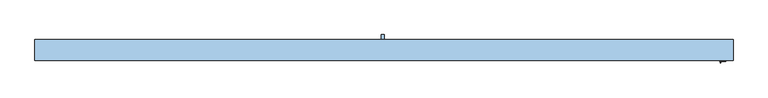
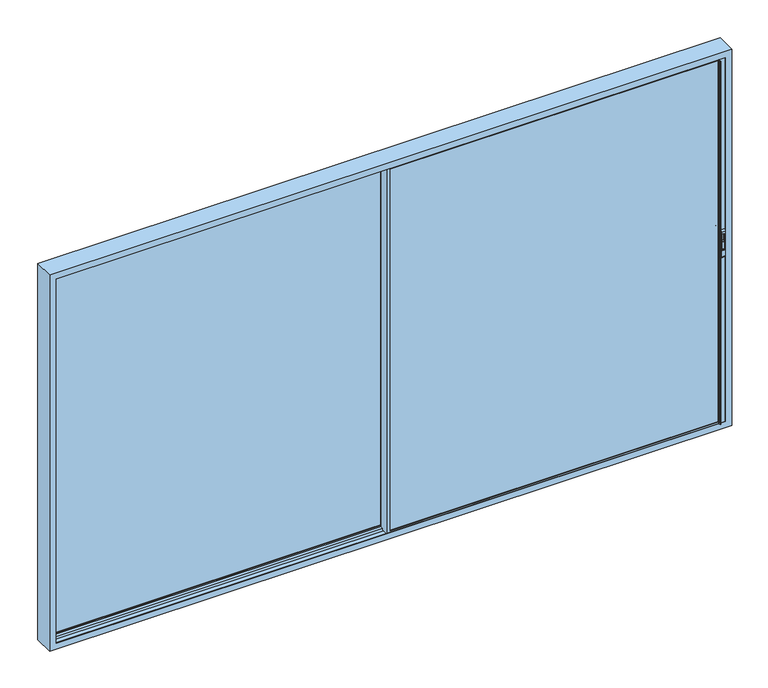
"""IFC4 building model written with IfcOpenShell, lengths in millimetres: window geometry."""

from ifc_helpers import new_model, si_unit, point, frame, frame_2d, origin, place, context, project, spatial, polyline, circle_curve, trimmed, segment, composite_curve, outline, extrude, faceted_brep, source, transform, mapped, element, save
from ifc_brep_helpers import plane_surface, cylinder_surface, revolved_surface, advanced_brep


def window_c933e9ea(model_context):
    return source(origin(), model_context, "Body", "SolidModel", [
        extrude(outline(composite_curve([segment(polyline([(-62.5, 2475.2189223), (-68.2814782, 2475.2189223), (-73.0629564, 2550.2189223)]), True, "CONTINUOUS"), segment(trimmed(circle_curve(frame_2d((-73.0629564, 2539.6559659)), 10.5629564), [point((-73.0629564, 2550.2189223))], [point((-62.5, 2539.6559659))], False, "CARTESIAN"), True, "CONTINUOUS"), segment(polyline([(-62.5, 2539.6559659), (-62.5, 2475.2189223)]), True, "CONTINUOUS")], self_intersect=False)), frame((2913.6874936, 0.0, 0.0), z_axis=(1.0, 0.0, 0.0), x_axis=(0.0, 1.0, 0.0)), (0.0, 0.0, 1.0), 14.8235768),
        advanced_brep(
        [(2903.1034585, -62.5, 2407.5), (2903.1034585, -74.5, 2390.0), (2903.1034585, -74.5, 2650.0), (2903.1034585, -62.5, 2632.5), (2939.0571491, -62.5, 2407.5), (2939.0571491, -62.5, 2632.5), (2939.0571491, -74.5, 2650.0), (2939.0571491, -74.5, 2390.0), (2929.894534, -62.5, 2616.667345), (2912.30403, -62.5, 2616.667345), (2912.30403, -62.5, 2460.7687336), (2929.894534, -62.5, 2460.7687336), (2912.30403, -73.0629564, 2616.667345), (2929.894534, -73.0629564, 2616.667345), (2929.894534, -73.0629564, 2460.7687336), (2912.30403, -73.0629564, 2460.7687336)],
        [
            (0, 1, circle_curve(frame((2903.1034585, -81.2604167, 2407.5), z_axis=(-1.0, 0.0, 0.0), x_axis=(0.0, 0.0, -1.0)), 18.7604167)),
            (1, 2),
            (2, 3, circle_curve(frame((2903.1034585, -81.2604167, 2632.5), z_axis=(-1.0, 0.0, 0.0), x_axis=(0.0, 0.0, -1.0)), 18.7604167)),
            (3, 0),
            (4, 5),
            (5, 6, circle_curve(frame((2939.0571491, -81.2604167, 2632.5), z_axis=(1.0, 0.0, 0.0), x_axis=(0.0, 0.0, -1.0)), 18.7604167)),
            (6, 7),
            (7, 4, circle_curve(frame((2939.0571491, -81.2604167, 2407.5), z_axis=(1.0, 0.0, 0.0), x_axis=(0.0, 0.0, -1.0)), 18.7604167)),
            (1, 7),
            (6, 2),
            (3, 5),
            (4, 0),
            (8, 9),
            (9, 10),
            (10, 11),
            (11, 8),
            (12, 13),
            (13, 14),
            (14, 15),
            (15, 12),
            (12, 9),
            (8, 13),
            (11, 14),
            (10, 15),
        ],
        [
            plane_surface(frame((2903.1034585, -81.2604167, 2388.7395833), z_axis=(-1.0, 0.0, 0.0), x_axis=(0.0, -1.0, 0.0))),
            plane_surface(frame((2939.0571491, -81.2604167, 2388.7395833), z_axis=(1.0, 0.0, 0.0), x_axis=(0.0, 1.0, 0.0))),
            plane_surface(frame((2903.1034585, -74.5, 2390.0), z_axis=(0.0, -1.0, 0.0), x_axis=(1.0, 0.0, 0.0))),
            plane_surface(frame((2903.1034585, -62.5, 2632.5), z_axis=(0.0, 1.0, 0.0), x_axis=(1.0, 0.0, 0.0))),
            plane_surface(frame((2929.894534, -73.0629564, 2616.667345), z_axis=(0.0, 1.0, 0.0), x_axis=(-1.0, 0.0, 0.0))),
            plane_surface(frame((2912.30403, -62.5, 2616.667345), z_axis=(0.0, 0.0, -1.0), x_axis=(0.0, -1.0, 0.0))),
            plane_surface(frame((2929.894534, -62.5, 2616.667345), z_axis=(-1.0, 0.0, 0.0), x_axis=(0.0, -1.0, 0.0))),
            plane_surface(frame((2929.894534, -62.5, 2460.7687336), z_axis=(0.0, 0.0, 1.0), x_axis=(0.0, -1.0, 0.0))),
            plane_surface(frame((2912.30403, -62.5, 2460.7687336), z_axis=(1.0, 0.0, 0.0), x_axis=(0.0, -1.0, 0.0))),
            cylinder_surface(frame((2939.0571491, -81.2604167, 2407.5), z_axis=(-1.0, 0.0, 0.0), x_axis=(0.0, 0.0, -1.0)), 18.7604167),
            cylinder_surface(frame((2939.0571491, -81.2604167, 2632.5), z_axis=(-1.0, 0.0, 0.0), x_axis=(0.0, 0.0, -1.0)), 18.7604167),
        ],
        [
            (0, [[1, 2, 3, 4]]),
            (1, [[5, 6, 7, 8]]),
            (2, [[-2, 9, -7, 10]]),
            (3, [[-4, 11, -5, 12], [13, 14, 15, 16]]),
            (4, [[17, 18, 19, 20]]),
            (5, [[-17, 21, -13, 22]]),
            (6, [[-18, -22, -16, 23]]),
            (7, [[-19, -23, -15, 24]]),
            (8, [[-20, -24, -14, -21]]),
            (9, [[-1, -12, -8, -9]]),
            (10, [[-3, -10, -6, -11]]),
        ],
    ),
        extrude(outline(composite_curve([segment(polyline([(-155.5, 2475.2189223), (-155.5, 2539.6559659)]), True, "CONTINUOUS"), segment(trimmed(circle_curve(frame_2d((-144.9370436, 2539.6559659)), 10.5629564), [point((-155.5, 2539.6559659))], [point((-144.9370436, 2550.2189223))], False, "CARTESIAN"), True, "CONTINUOUS"), segment(polyline([(-144.9370436, 2550.2189223), (-149.7185218, 2475.2189223), (-155.5, 2475.2189223)]), True, "CONTINUOUS")], self_intersect=False)), frame((2913.6495372, 0.0, 0.0), z_axis=(1.0, 0.0, 0.0), x_axis=(0.0, 1.0, 0.0)), (0.0, 0.0, 1.0), 14.8235768),
        advanced_brep(
        [(2939.0571491, -155.5, 2407.5), (2939.0571491, -143.5, 2390.0), (2939.0571491, -143.5, 2650.0), (2939.0571491, -155.5, 2632.5), (2903.1034585, -155.5, 2407.5), (2903.1034585, -155.5, 2632.5), (2903.1034585, -143.5, 2650.0), (2903.1034585, -143.5, 2390.0), (2912.2660736, -155.5, 2616.667345), (2929.8565776, -155.5, 2616.667345), (2929.8565776, -155.5, 2460.7687336), (2912.2660736, -155.5, 2460.7687336), (2929.8565776, -144.9370436, 2616.667345), (2912.2660736, -144.9370436, 2616.667345), (2912.2660736, -144.9370436, 2460.7687336), (2929.8565776, -144.9370436, 2460.7687336)],
        [
            (0, 1, circle_curve(frame((2939.0571491, -136.7395833, 2407.5), z_axis=(1.0, 0.0, 0.0), x_axis=(0.0, 0.0, -1.0)), 18.7604167)),
            (1, 2),
            (2, 3, circle_curve(frame((2939.0571491, -136.7395833, 2632.5), z_axis=(1.0, 0.0, 0.0), x_axis=(0.0, 0.0, -1.0)), 18.7604167)),
            (3, 0),
            (4, 5),
            (5, 6, circle_curve(frame((2903.1034585, -136.7395833, 2632.5), z_axis=(-1.0, 0.0, 0.0), x_axis=(0.0, 0.0, -1.0)), 18.7604167)),
            (6, 7),
            (7, 4, circle_curve(frame((2903.1034585, -136.7395833, 2407.5), z_axis=(-1.0, 0.0, 0.0), x_axis=(0.0, 0.0, -1.0)), 18.7604167)),
            (1, 7),
            (6, 2),
            (3, 5),
            (4, 0),
            (8, 9),
            (9, 10),
            (10, 11),
            (11, 8),
            (12, 13),
            (13, 14),
            (14, 15),
            (15, 12),
            (12, 9),
            (8, 13),
            (11, 14),
            (10, 15),
        ],
        [
            plane_surface(frame((2939.0571491, -136.7395833, 2388.7395833), z_axis=(1.0, 0.0, 0.0), x_axis=(0.0, 1.0, 0.0))),
            plane_surface(frame((2903.1034585, -136.7395833, 2388.7395833), z_axis=(-1.0, 0.0, 0.0), x_axis=(0.0, -1.0, 0.0))),
            plane_surface(frame((2939.0571491, -143.5, 2390.0), z_axis=(0.0, 1.0, 0.0), x_axis=(-1.0, 0.0, 0.0))),
            plane_surface(frame((2939.0571491, -155.5, 2632.5), z_axis=(0.0, -1.0, 0.0), x_axis=(-1.0, 0.0, 0.0))),
            plane_surface(frame((2912.2660736, -144.9370436, 2616.667345), z_axis=(0.0, -1.0, 0.0), x_axis=(1.0, 0.0, 0.0))),
            plane_surface(frame((2929.8565776, -155.5, 2616.667345), z_axis=(0.0, 0.0, -1.0), x_axis=(0.0, 1.0, 0.0))),
            plane_surface(frame((2912.2660736, -155.5, 2616.667345), z_axis=(1.0, 0.0, 0.0), x_axis=(0.0, 1.0, 0.0))),
            plane_surface(frame((2912.2660736, -155.5, 2460.7687336), z_axis=(0.0, 0.0, 1.0), x_axis=(0.0, 1.0, 0.0))),
            plane_surface(frame((2929.8565776, -155.5, 2460.7687336), z_axis=(-1.0, 0.0, 0.0), x_axis=(0.0, 1.0, 0.0))),
            cylinder_surface(frame((2903.1034585, -136.7395833, 2407.5), z_axis=(1.0, 0.0, 0.0), x_axis=(0.0, 0.0, -1.0)), 18.7604167),
            cylinder_surface(frame((2903.1034585, -136.7395833, 2632.5), z_axis=(1.0, 0.0, 0.0), x_axis=(0.0, 0.0, -1.0)), 18.7604167),
        ],
        [
            (0, [[1, 2, 3, 4]]),
            (1, [[5, 6, 7, 8]]),
            (2, [[-2, 9, -7, 10]]),
            (3, [[-4, 11, -5, 12], [13, 14, 15, 16]]),
            (4, [[17, 18, 19, 20]]),
            (5, [[-17, 21, -13, 22]]),
            (6, [[-18, -22, -16, 23]]),
            (7, [[-19, -23, -15, 24]]),
            (8, [[-20, -24, -14, -21]]),
            (9, [[-1, -12, -8, -9]]),
            (10, [[-3, -10, -6, -11]]),
        ],
    ),
        extrude(outline(polyline([(-13.0, -136.0), (-13.0, -82.0), (2898.5, -82.0), (2898.5, -136.0), (-13.0, -136.0)])), frame((0.0, 0.0, 843.0), z_axis=(0.0, 0.0, 1.0), x_axis=(1.0, 0.0, 0.0)), (0.0, 0.0, 1.0), 3400.0),
        extrude(outline(polyline([(-2955.0, 16.0), (-13.0, 16.0), (-13.0, -38.0), (-2955.0, -38.0), (-2955.0, 16.0)])), frame((0.0, 0.0, 857.0), z_axis=(0.0, 0.0, 1.0), x_axis=(1.0, 0.0, 0.0)), (0.0, 0.0, 1.0), 3386.0),
        extrude(outline(polyline([(2944.6, 23.9), (2944.6, -46.1016382), (2980.5, -46.1016382), (2980.5, -48.2016382), (2943.0, -48.2016382), (2943.0, 26.0), (2980.5, 26.0), (2980.5, 23.9), (2944.6, 23.9)])), frame((0.0, 0.0, 830.4035056), z_axis=(0.0, 0.0, 1.0), x_axis=(1.0, 0.0, 0.0)), (0.0, 0.0, 1.0), 3412.5964944),
        extrude(outline(polyline([(-2980.4855296, -71.7983618), (-2943.0, -71.7983618), (-2943.0, -145.7), (-2980.5600677, -145.7), (-2980.5600677, -143.6), (-2944.6, -143.6), (-2944.6, -73.8983618), (-2980.4855296, -73.8983618), (-2980.4855296, -71.7983618)])), frame((0.0, 0.0, 830.4035056), z_axis=(0.0, 0.0, 1.0), x_axis=(1.0, 0.0, 0.0)), (0.0, 0.0, 1.0), 3412.5964944),
        advanced_brep(
        [(-26.0, -74.5, 843.0), (-26.0, -143.5, 843.0), (-26.0, -143.5, 4257.5), (-26.0, -74.5008191, 4257.5), (-26.0, -74.5008191, 4243.0), (-26.0, -48.4969017, 4243.0), (-26.0, -48.4969017, 857.0), (-26.0, -74.5, 857.0), (2968.3, -74.5, 843.0), (2968.3, -143.5, 843.0), (2968.3, -143.5, 869.0), (2955.5, -143.5, 869.0), (2955.5, -143.5, 4239.9999325), (2953.8935563, -143.5, 4239.9999325), (2953.8935563, -143.5, 4257.5), (2891.8815605, -143.5, 860.0000675), (2886.5, -143.5, 860.0000675), (2886.5, -143.5, 4239.9999325), (2891.8815605, -143.5, 4239.9999325), (0.0, -143.5, 4231.0), (2884.5, -143.5, 4231.0), (2884.5, -143.5, 869.0), (0.0, -143.5, 869.0), (-14.4, -48.4969017, 4243.0), (-14.4, -48.4969017, 857.0), (-14.4, -74.5, 857.0), (2968.3, -74.5, 869.0), (-14.4, -74.5, 4243.0), (2953.8935563, -74.5, 4257.5), (2953.8935563, -74.5, 4239.9999325), (2955.5, -74.5, 4239.9999325), (2955.5, -74.5, 869.0), (0.0, -74.5, 869.0), (2884.5, -74.5, 869.0), (2884.5, -74.5, 4231.0), (0.0, -74.5, 4231.0), (2891.8815605, -74.5, 4239.9999325), (2886.5, -74.5, 4239.9999325), (2886.5, -74.5, 860.0000675), (2891.8815605, -74.5, 860.0000675), (2968.3, -82.0, 869.0), (2968.3, -82.0, 857.0), (2968.3, -136.0, 857.0), (2968.3, -136.0, 869.0), (2955.5, -82.0, 869.0), (0.0, -82.0, 869.0), (2884.5, -82.0, 869.0), (2955.5, -82.0, 860.0000675), (2898.5, -82.0, 860.0000675), (2898.5, -82.0, 4239.9999325), (2953.8935563, -82.0, 4239.9999325), (2953.8935563, -82.0, 4243.0), (-16.0, -82.0, 4243.0), (-16.0, -82.0, 857.0), (0.0, -82.0, 4231.0), (2884.5, -82.0, 4231.0), (-16.0, -136.0, 857.0), (-16.0, -136.0, 4243.0), (2953.8935563, -136.0, 4243.0), (2953.8935563, -136.0, 4239.9999325), (2898.5, -136.0, 4239.9999325), (2898.5, -136.0, 860.0000675), (2955.5, -136.0, 860.0000675), (2955.5, -136.0, 869.0), (0.0, -136.0, 869.0), (2884.5, -136.0, 869.0), (2884.5, -136.0, 4231.0), (0.0, -136.0, 4231.0), (2888.9977754, -145.6730879, 860.0000675), (2887.626431, -150.4555341, 860.0000675), (2887.739631, -152.4330365, 860.0000675), (2893.4747822, -167.8432139, 860.0000675), (2893.0, -168.5, 860.0000675), (2890.2399611, -168.5, 860.0000675), (2889.2836563, -167.7923717, 860.0000675), (2884.6162149, -152.5258588, 860.0000675), (2884.6162149, -150.0695393, 860.0000675), (2884.6162149, -67.9304607, 860.0000675), (2884.6162149, -65.4741412, 860.0000675), (2889.2836563, -50.2076283, 860.0000675), (2890.2399611, -49.5, 860.0000675), (2893.0, -49.5, 860.0000675), (2893.4747822, -50.1567861, 860.0000675), (2887.739631, -65.5669635, 860.0000675), (2887.626431, -67.5444659, 860.0000675), (2888.9977754, -72.3269121, 860.0000675), (2884.6162149, -150.0695393, 4239.9999325), (2888.9977754, -145.6730879, 4239.9999325), (2884.6162149, -67.9304607, 4239.9999325), (2888.9977754, -72.3269121, 4239.9999325), (2887.626431, -150.4555341, 4239.9999325), (2887.739631, -152.4330365, 4239.9999325), (2893.4747822, -167.8432139, 4239.9999325), (2893.0, -168.5, 4239.9999325), (2890.2399611, -168.5, 4239.9999325), (2889.2836563, -167.7923717, 4239.9999325), (2884.6162149, -152.5258588, 4239.9999325), (2884.6162149, -65.4741412, 4239.9999325), (2889.2836563, -50.2076283, 4239.9999325), (2890.2399611, -49.5, 4239.9999325), (2893.0, -49.5, 4239.9999325), (2893.4747822, -50.1567861, 4239.9999325), (2887.739631, -65.5669635, 4239.9999325), (2887.626431, -67.5444659, 4239.9999325)],
        [
            (0, 1),
            (1, 2),
            (2, 3),
            (3, 4),
            (4, 5),
            (5, 6),
            (6, 7),
            (7, 0),
            (0, 8),
            (8, 9),
            (9, 1),
            (9, 10),
            (10, 11),
            (11, 12),
            (12, 13),
            (13, 14),
            (14, 2),
            (15, 16),
            (16, 17),
            (17, 18),
            (18, 15),
            (19, 20),
            (20, 21),
            (21, 22),
            (22, 19),
            (5, 23),
            (23, 24),
            (24, 6),
            (24, 25),
            (25, 7),
            (26, 8),
            (25, 27),
            (27, 4),
            (3, 28),
            (28, 29),
            (29, 30),
            (30, 31),
            (31, 26),
            (32, 33),
            (33, 34),
            (34, 35),
            (35, 32),
            (36, 37),
            (37, 38),
            (38, 39),
            (39, 36),
            (26, 40),
            (40, 41),
            (41, 42),
            (42, 43),
            (43, 10),
            (31, 44),
            (44, 40),
            (32, 45),
            (45, 46),
            (46, 33),
            (44, 47),
            (47, 48),
            (48, 49),
            (49, 50),
            (50, 51),
            (51, 52),
            (52, 53),
            (53, 41),
            (54, 55),
            (55, 46),
            (45, 54),
            (53, 56),
            (56, 42),
            (56, 57),
            (57, 58),
            (58, 59),
            (59, 60),
            (60, 61),
            (61, 62),
            (62, 63),
            (63, 43),
            (64, 65),
            (65, 66),
            (66, 67),
            (67, 64),
            (63, 11),
            (64, 22),
            (21, 65),
            (23, 27),
            (67, 19),
            (52, 57),
            (35, 54),
            (20, 66),
            (30, 12),
            (62, 47),
            (15, 68, circle_curve(frame((2891.8815605, -146.5, 860.0000675), z_axis=(0.0, 0.0, 1.0), x_axis=(1.0, 0.0, 0.0)), 3.0)),
            (68, 69),
            (69, 70, circle_curve(frame((2890.5102161, -151.2824462, 860.0000675), z_axis=(0.0, 0.0, 1.0), x_axis=(1.0, 0.0, 0.0)), 3.0)),
            (70, 71, circle_curve(frame((2684.3068415, -236.9162025, 860.0000675), z_axis=(0.0, 0.0, -1.0), x_axis=(1.0, 0.0, 0.0)), 220.2777909)),
            (71, 72, circle_curve(frame((2893.0, -168.0, 860.0000675), z_axis=(0.0, 0.0, -1.0), x_axis=(1.0, 0.0, 0.0)), 0.5)),
            (72, 73),
            (73, 74, circle_curve(frame((2890.2399611, -167.5, 860.0000675), z_axis=(0.0, 0.0, -1.0), x_axis=(1.0, 0.0, 0.0)), 1.0)),
            (74, 75),
            (75, 76, circle_curve(frame((2888.8993168, -151.297699, 860.0000675), z_axis=(0.0, 0.0, -1.0), x_axis=(1.0, 0.0, 0.0)), 4.4557085)),
            (76, 16),
            (61, 48),
            (38, 77),
            (77, 78, circle_curve(frame((2888.8993168, -66.702301, 860.0000675), z_axis=(0.0, 0.0, -1.0), x_axis=(1.0, 0.0, 0.0)), 4.4557085)),
            (78, 79),
            (79, 80, circle_curve(frame((2890.2399611, -50.5, 860.0000675), z_axis=(0.0, 0.0, -1.0), x_axis=(1.0, 0.0, 0.0)), 1.0)),
            (80, 81),
            (81, 82, circle_curve(frame((2893.0, -50.0, 860.0000675), z_axis=(0.0, 0.0, -1.0), x_axis=(1.0, 0.0, 0.0)), 0.5)),
            (82, 83, circle_curve(frame((2684.3068415, 18.9162025, 860.0000675), z_axis=(0.0, 0.0, -1.0), x_axis=(1.0, 0.0, 0.0)), 220.2777909)),
            (83, 84, circle_curve(frame((2890.5102161, -66.7175538, 860.0000675), z_axis=(0.0, 0.0, 1.0), x_axis=(1.0, 0.0, 0.0)), 3.0)),
            (84, 85),
            (85, 39, circle_curve(frame((2891.8815605, -71.5, 860.0000675), z_axis=(0.0, 0.0, 1.0), x_axis=(1.0, 0.0, 0.0)), 3.0)),
            (86, 17),
            (76, 86),
            (18, 87, circle_curve(frame((2891.8815605, -146.5, 4239.9999325), z_axis=(0.0, 0.0, 1.0), x_axis=(1.0, 0.0, 0.0)), 3.0)),
            (87, 68),
            (60, 49),
            (55, 34),
            (37, 88),
            (88, 77),
            (89, 36, circle_curve(frame((2891.8815605, -71.5, 4239.9999325), z_axis=(0.0, 0.0, 1.0), x_axis=(1.0, 0.0, 0.0)), 3.0)),
            (85, 89),
            (87, 90),
            (90, 69),
            (90, 91, circle_curve(frame((2890.5102161, -151.2824462, 4239.9999325), z_axis=(0.0, 0.0, 1.0), x_axis=(1.0, 0.0, 0.0)), 3.0)),
            (91, 70),
            (91, 92, circle_curve(frame((2684.3068415, -236.9162025, 4239.9999325), z_axis=(0.0, 0.0, -1.0), x_axis=(1.0, 0.0, 0.0)), 220.2777909)),
            (92, 71),
            (92, 93, circle_curve(frame((2893.0, -168.0, 4239.9999325), z_axis=(0.0, 0.0, -1.0), x_axis=(1.0, 0.0, 0.0)), 0.5)),
            (93, 72),
            (93, 94),
            (94, 73),
            (94, 95, circle_curve(frame((2890.2399611, -167.5, 4239.9999325), z_axis=(0.0, 0.0, -1.0), x_axis=(1.0, 0.0, 0.0)), 1.0)),
            (95, 74),
            (95, 96),
            (96, 75),
            (96, 86, circle_curve(frame((2888.8993168, -151.297699, 4239.9999325), z_axis=(0.0, 0.0, -1.0), x_axis=(1.0, 0.0, 0.0)), 4.4557085)),
            (88, 97, circle_curve(frame((2888.8993168, -66.702301, 4239.9999325), z_axis=(0.0, 0.0, -1.0), x_axis=(1.0, 0.0, 0.0)), 4.4557085)),
            (97, 78),
            (97, 98),
            (98, 79),
            (98, 99, circle_curve(frame((2890.2399611, -50.5, 4239.9999325), z_axis=(0.0, 0.0, -1.0), x_axis=(1.0, 0.0, 0.0)), 1.0)),
            (99, 80),
            (99, 100),
            (100, 81),
            (100, 101, circle_curve(frame((2893.0, -50.0, 4239.9999325), z_axis=(0.0, 0.0, -1.0), x_axis=(1.0, 0.0, 0.0)), 0.5)),
            (101, 82),
            (101, 102, circle_curve(frame((2684.3068415, 18.9162025, 4239.9999325), z_axis=(0.0, 0.0, -1.0), x_axis=(1.0, 0.0, 0.0)), 220.2777909)),
            (102, 83),
            (102, 103, circle_curve(frame((2890.5102161, -66.7175538, 4239.9999325), z_axis=(0.0, 0.0, 1.0), x_axis=(1.0, 0.0, 0.0)), 3.0)),
            (103, 84),
            (103, 89),
            (14, 28),
            (58, 51),
            (50, 29),
            (13, 59),
        ],
        [
            plane_surface(frame((-26.0, -143.5, 869.0), z_axis=(-1.0, 0.0, 0.0), x_axis=(0.0, 0.0, 1.0))),
            plane_surface(frame((-26.0, -74.5, 843.0), z_axis=(0.0, 0.0, -1.0), x_axis=(1.0, 0.0, 0.0))),
            plane_surface(frame((-26.0, -143.5, 843.0), z_axis=(0.0, -1.0, 0.0), x_axis=(1.0, 0.0, 0.0))),
            plane_surface(frame((-14.4, -48.4969017, 4243.0), z_axis=(0.0, 1.0, 0.0), x_axis=(0.0, 0.0, -1.0))),
            plane_surface(frame((0.0, -143.5, 857.0), z_axis=(0.0, 0.0, -1.0), x_axis=(0.0, -1.0, 0.0))),
            plane_surface(frame((-26.0, -74.5, 869.0), z_axis=(0.0, 1.0, 0.0), x_axis=(1.0, 0.0, 0.0))),
            plane_surface(frame((2968.3, -143.5, 869.0), z_axis=(1.0, 0.0, 0.0), x_axis=(0.0, 0.0, -1.0))),
            plane_surface(frame((-26.0, -82.0, 869.0), z_axis=(0.0, 0.0, 1.0), x_axis=(1.0, 0.0, 0.0))),
            plane_surface(frame((-26.0, -82.0, 857.0), z_axis=(0.0, -1.0, 0.0), x_axis=(1.0, 0.0, 0.0))),
            plane_surface(frame((-26.0, -136.0, 857.0), z_axis=(0.0, 0.0, 1.0), x_axis=(1.0, 0.0, 0.0))),
            plane_surface(frame((-26.0, -136.0, 869.0), z_axis=(0.0, 1.0, 0.0), x_axis=(1.0, 0.0, 0.0))),
            plane_surface(frame((-26.0, -143.5, 869.0), z_axis=(0.0, 0.0, 1.0), x_axis=(1.0, 0.0, 0.0))),
            plane_surface(frame((-14.4, -74.5, 4243.0), z_axis=(1.0, 0.0, 0.0), x_axis=(0.0, 0.0, -1.0))),
            plane_surface(frame((0.0, -143.5, 4243.0), z_axis=(1.0, 0.0, 0.0), x_axis=(0.0, 0.0, -1.0))),
            plane_surface(frame((-16.0, -136.0, 4243.0), z_axis=(1.0, 0.0, 0.0), x_axis=(0.0, 0.0, -1.0))),
            plane_surface(frame((0.0, -82.0, 4243.0), z_axis=(1.0, 0.0, 0.0), x_axis=(0.0, 0.0, -1.0))),
            plane_surface(frame((2884.5, -136.0, 4239.9999325), z_axis=(-1.0, 0.0, 0.0), x_axis=(0.0, 0.0, -1.0))),
            plane_surface(frame((2955.5, -143.5, 4239.9999325), z_axis=(1.0, 0.0, 0.0), x_axis=(0.0, 0.0, -1.0))),
            plane_surface(frame((2891.8815605, -74.5, 860.0000675), z_axis=(0.0, 0.0, -1.0), x_axis=(1.0, 0.0, 0.0))),
            plane_surface(frame((2886.5, -143.5, 4239.9999325), z_axis=(-0.9612616959385795, 0.27563735581609056, 0.0), x_axis=(0.0, 0.0, -1.0))),
            revolved_surface(polyline([(2894.8815605, -146.5, 860.0000675), (2894.8815605, -146.5, 4239.9999325)]), (2891.8815605, -146.5, 860.0000675), (0.0, 0.0, -1.0)),
            plane_surface(frame((2898.5, -82.0, 4239.9999325), z_axis=(-1.0, 0.0, 0.0), x_axis=(0.0, 0.0, -1.0))),
            plane_surface(frame((2884.5, -74.5, 4239.9999325), z_axis=(-1.0, 0.0, 0.0), x_axis=(0.0, 0.0, -1.0))),
            plane_surface(frame((2884.6162149, -67.9304607, 4239.9999325), z_axis=(-0.9612616958338449, -0.2756373561813434, 0.0), x_axis=(0.0, 0.0, -1.0))),
            revolved_surface(polyline([(2894.8815605, -71.5, 860.0000675), (2894.8815605, -71.5, 4239.9999325)]), (2891.8815605, -71.5, 860.0000675), (0.0, 0.0, -1.0)),
            plane_surface(frame((2887.626431, -150.4555341, 4239.9999325), z_axis=(0.9612616959389062, -0.2756373558149511, 0.0), x_axis=(0.0, 0.0, -1.0))),
            revolved_surface(polyline([(2893.5102161, -151.2824462, 860.0000675), (2893.5102161, -151.2824462, 4239.9999325)]), (2890.5102161, -151.2824462, 860.0000675), (0.0, 0.0, -1.0)),
            cylinder_surface(frame((2684.3068415, -236.9162025, 860.0000675), z_axis=(0.0, 0.0, 1.0), x_axis=(1.0, 0.0, 0.0)), 220.2777909),
            cylinder_surface(frame((2893.0, -168.0, 860.0000675), z_axis=(0.0, 0.0, 1.0), x_axis=(1.0, 0.0, 0.0)), 0.5),
            plane_surface(frame((2890.2399611, -168.5, 4239.9999325), z_axis=(0.0, -1.0, 0.0), x_axis=(0.0, 0.0, -1.0))),
            cylinder_surface(frame((2890.2399611, -167.5, 860.0000675), z_axis=(0.0, 0.0, 1.0), x_axis=(1.0, 0.0, 0.0)), 1.0),
            plane_surface(frame((2884.6162149, -152.5258588, 4239.9999325), z_axis=(-0.9563047559622856, -0.2923717047251896, 0.0), x_axis=(0.0, 0.0, -1.0))),
            cylinder_surface(frame((2888.8993168, -151.297699, 860.0000675), z_axis=(0.0, 0.0, 1.0), x_axis=(1.0, 0.0, 0.0)), 4.4557085),
            cylinder_surface(frame((2888.8993168, -66.702301, 860.0000675), z_axis=(0.0, 0.0, 1.0), x_axis=(1.0, 0.0, 0.0)), 4.4557085),
            plane_surface(frame((2889.2836563, -50.2076283, 4239.9999325), z_axis=(-0.9563047559646334, 0.29237170471751034, 0.0), x_axis=(0.0, 0.0, -1.0))),
            cylinder_surface(frame((2890.2399611, -50.5, 860.0000675), z_axis=(0.0, 0.0, 1.0), x_axis=(1.0, 0.0, 0.0)), 1.0),
            plane_surface(frame((2893.0, -49.5, 4239.9999325), z_axis=(0.0, 1.0, 0.0), x_axis=(0.0, 0.0, -1.0))),
            cylinder_surface(frame((2893.0, -50.0, 860.0000675), z_axis=(0.0, 0.0, 1.0), x_axis=(1.0, 0.0, 0.0)), 0.5),
            cylinder_surface(frame((2684.3068415, 18.9162025, 860.0000675), z_axis=(0.0, 0.0, 1.0), x_axis=(1.0, 0.0, 0.0)), 220.2777909),
            revolved_surface(polyline([(2893.5102161, -66.7175538, 860.0000675), (2893.5102161, -66.7175538, 4239.9999325)]), (2890.5102161, -66.7175538, 860.0000675), (0.0, 0.0, -1.0)),
            plane_surface(frame((2888.9977754, -72.3269121, 4239.9999325), z_axis=(0.96126169579487, 0.2756373563172649, 0.0), x_axis=(0.0, 0.0, -1.0))),
            plane_surface(frame((-26.0, -143.5, 4257.5), z_axis=(0.0, 0.0, 1.0), x_axis=(1.0, 0.0, 0.0))),
            plane_surface(frame((0.0, -143.5, 4243.0), z_axis=(0.0, 0.0, 1.0), x_axis=(0.0, 1.0, 0.0))),
            plane_surface(frame((2953.8935563, -143.5, 4231.0), z_axis=(1.0, 0.0, 0.0), x_axis=(0.0, 0.0, -1.0))),
            plane_surface(frame((-26.0, -82.0, 4243.0), z_axis=(0.0, 0.0, -1.0), x_axis=(1.0, 0.0, 0.0))),
            plane_surface(frame((2891.8815605, -74.5, 4239.9999325), z_axis=(0.0, 0.0, 1.0), x_axis=(-1.0, 0.0, 0.0))),
            plane_surface(frame((-26.0, -74.5008191, 4231.0), z_axis=(0.0, 0.0, -1.0), x_axis=(1.0, 0.0, 0.0))),
            plane_surface(frame((-26.0, -136.0, 4231.0), z_axis=(0.0, 0.0, -1.0), x_axis=(1.0, 0.0, 0.0))),
        ],
        [
            (0, [[1, 2, 3, 4, 5, 6, 7, 8]]),
            (1, [[-1, 9, 10, 11]]),
            (2, [[12, 13, 14, 15, 16, 17, -2, -11], [18, 19, 20, 21], [22, 23, 24, 25]]),
            (3, [[26, 27, 28, -6]]),
            (4, [[-28, 29, 30, -7]]),
            (5, [[31, -9, -8, -30, 32, 33, -4, 34, 35, 36, 37, 38], [39, 40, 41, 42], [43, 44, 45, 46]]),
            (6, [[-10, -31, 47, 48, 49, 50, 51, -12]]),
            (7, [[-47, -38, 52, 53]]),
            (7, [[54, 55, 56, -39]]),
            (8, [[-48, -53, 57, 58, 59, 60, 61, 62, 63, 64], [65, 66, -55, 67]]),
            (9, [[-49, -64, 68, 69]]),
            (10, [[-50, -69, 70, 71, 72, 73, 74, 75, 76, 77], [78, 79, 80, 81]]),
            (11, [[-51, -77, 82, -13]]),
            (11, [[83, -24, 84, -78]]),
            (12, [[85, -32, -29, -27]]),
            (13, [[-25, -83, -81, 86]]),
            (14, [[-68, -63, 87, -70]]),
            (15, [[-42, 88, -67, -54]]),
            (16, [[-23, 89, -79, -84]]),
            (17, [[90, -14, -82, -76, 91, -57, -52, -37]]),
            (18, [[92, 93, 94, 95, 96, 97, 98, 99, 100, 101, -18]]),
            (18, [[102, -58, -91, -75]]),
            (18, [[103, 104, 105, 106, 107, 108, 109, 110, 111, 112, -45]]),
            (19, [[113, -19, -101, 114]]),
            (20, [[-21, 115, 116, -92]]),
            (21, [[-74, 117, -59, -102]]),
            (22, [[-66, 118, -40, -56]]),
            (23, [[-44, 119, 120, -103]]),
            (24, [[121, -46, -112, 122]]),
            (25, [[123, 124, -93, -116]]),
            (26, [[125, 126, -94, -124]]),
            (27, [[127, 128, -95, -126]]),
            (28, [[129, 130, -96, -128]]),
            (29, [[131, 132, -97, -130]]),
            (30, [[133, 134, -98, -132]]),
            (31, [[135, 136, -99, -134]]),
            (32, [[137, -114, -100, -136]]),
            (33, [[138, 139, -104, -120]]),
            (34, [[140, 141, -105, -139]]),
            (35, [[142, 143, -106, -141]]),
            (36, [[144, 145, -107, -143]]),
            (37, [[146, 147, -108, -145]]),
            (38, [[148, 149, -109, -147]]),
            (39, [[150, 151, -110, -149]]),
            (40, [[152, -122, -111, -151]]),
            (41, [[-3, -17, 153, -34]]),
            (42, [[-85, -26, -5, -33]]),
            (43, [[154, -61, 155, -35, -153, -16, 156, -72]]),
            (44, [[-154, -71, -87, -62]]),
            (45, [[-121, -152, -150, -148, -146, -144, -142, -140, -138, -119, -43]]),
            (45, [[-117, -73, -156, -15, -90, -36, -155, -60]]),
            (45, [[-113, -137, -135, -133, -131, -129, -127, -125, -123, -115, -20]]),
            (46, [[-88, -41, -118, -65]]),
            (47, [[-86, -80, -89, -22]]),
        ],
    ),
        faceted_brep([(-2968.3, -45.5, 4257.5), (-2968.3, 23.5, 4257.5), (-2968.3, 23.5, 830.4035056), (-2968.3, -45.5, 830.4035056), (-2968.3, -38.0, 857.0), (-2968.3, 16.0, 857.0), (-2968.3, 16.0, 860.0000675), (-2968.3, -38.0, 860.0000675), (-2968.3, -41.0, 4239.9999325), (-2968.3, 19.2263774, 4239.9999325), (-2968.3, 19.3335287, 4243.0), (-2968.3, -41.0, 4243.0), (-10.0, -38.0, 857.0), (-10.0, 16.0, 857.0), (-25.0, 16.0, 4243.0), (-25.0, 16.0, 869.0), (-2943.0, 16.0, 869.0), (-2943.0, 16.0, 4239.9999325), (-2958.0, 16.0, 4239.9999325), (-2958.0, 16.0, 860.0000675), (-10.0, 16.0, 4243.0), (-2958.0, -38.0, 860.0000675), (-26.0, -38.0, 869.0), (-26.0, -38.0, 4243.0), (-10.0, -38.0, 4243.0), (-2958.0, -38.0, 4239.9999325), (-2943.0, -38.0, 4239.9999325), (-2943.0, -38.0, 869.0), (0.0, 23.5, 830.4035056), (0.0, 23.5, 4257.5), (0.0, 23.5, 4243.0), (-25.0, 23.5, 4243.0), (-25.0, 23.5, 4231.0), (-2943.0, 23.5, 4231.0), (-2943.0, 23.5, 869.0), (-25.0, 23.5, 869.0), (-25.0, 23.5, 857.0), (0.0, 23.5, 857.0), (0.0, -45.5, 830.4035056), (0.0, -45.5, 857.0), (-11.6, -45.5, 857.0), (-11.6, -45.5, 4243.0), (0.0, -45.5, 4243.0), (0.0, -45.5, 4257.5), (-26.0, -45.5, 869.0), (-2943.0, -45.5, 869.0), (-2943.0, -45.5, 4231.0), (-26.0, -45.5, 4231.0), (0.0, 73.5, 857.0), (0.0, 73.5, 4243.0), (0.0, -71.5030983, 4243.0), (0.0, -71.5030983, 857.0), (-11.6, -71.5030983, 857.0), (-25.0, 73.5, 857.0), (-25.0, 73.5, 4243.0), (-11.6, -71.5030983, 4243.0), (-2943.0, -41.0, 4239.9999325), (-2943.0, -41.0, 4231.0), (-26.0, -41.0, 4231.0), (-26.0, -41.0, 4243.0), (-25.0, 19.3335287, 4243.0), (-25.0, 18.9049331, 4231.0), (-2943.0, 18.9049331, 4231.0), (-2943.0, 19.2263774, 4239.9999325)], [[[0, 1, 2, 3], [4, 5, 6, 7], [8, 9, 10, 11]], [[5, 4, 12, 13]], [[14, 15, 16, 17, 18, 19, 6, 5, 13, 20]], [[19, 21, 7, 6]], [[22, 23, 24, 12, 4, 7, 21, 25, 26, 27]], [[28, 2, 1, 29, 30, 31, 32, 33, 34, 35, 36, 37]], [[3, 2, 28, 38]], [[0, 3, 38, 39, 40, 41, 42, 43], [44, 45, 46, 47]], [[38, 28, 37, 48, 49, 30, 29, 43, 42, 50, 51, 39]], [[51, 52, 40, 39]], [[53, 48, 37, 36]], [[54, 49, 48, 53]], [[50, 55, 52, 51]], [[44, 22, 27, 45]], [[46, 45, 27, 26, 56, 57]], [[23, 22, 44, 47, 58, 59]], [[55, 41, 40, 52]], [[13, 12, 24, 20]], [[19, 18, 25, 21]], [[54, 53, 36, 35, 15, 14, 60, 61, 32, 31]], [[15, 35, 34, 16]], [[17, 16, 34, 33, 62, 63]], [[1, 0, 43, 29]], [[26, 25, 18, 17, 63, 9, 8, 56]], [[60, 10, 9, 63, 62, 61]], [[11, 10, 60, 14, 20, 24, 23, 59]], [[11, 59, 58, 57, 56, 8]], [[49, 54, 31, 30]], [[41, 55, 50, 42]], [[58, 47, 46, 57]], [[32, 61, 62, 33]]]),
        faceted_brep([(-2943.0, -48.2016382, 4243.0), (-2943.0, -71.8016382, 4243.0), (-2943.0, -71.8016382, 857.0), (-2943.0, -48.2016382, 857.0), (-2969.5, -71.8016382, 4269.5), (-2969.5, -71.8016382, 830.5), (2969.5, -71.8016382, 830.5), (2969.5, -71.8016382, 4269.5), (2943.0, -71.8016382, 4243.0), (2943.0, -71.8016382, 857.0), (2943.0, -48.2016382, 857.0), (2969.5, -48.2016382, 4269.5), (2969.5, -48.2016382, 830.5), (-2969.5, -48.2016382, 830.5), (-2969.5, -48.2016382, 4269.5), (2943.0, -48.2016382, 4243.0), (-3000.0, -150.0, 4300.0), (-3000.0, 30.0, 4300.0), (-3000.0, 30.0, 800.0), (-3000.0, -150.0, 800.0), (3000.0, 30.0, 4300.0), (3000.0, 30.0, 800.0), (-2943.0, 30.0, 4243.0), (-2943.0, 30.0, 857.0), (2943.0, 30.0, 857.0), (2943.0, 30.0, 4243.0), (3000.0, -150.0, 800.0), (3000.0, -150.0, 4300.0), (2943.0, -150.0, 4243.0), (2943.0, -150.0, 857.0), (-2943.0, -150.0, 857.0), (-2943.0, -150.0, 4243.0), (-2943.0, 25.7, 4243.0), (-2943.0, 25.7, 857.0), (2943.0, 25.7, 857.0), (2943.0, 25.7, 4243.0), (2943.0, -145.6, 857.0), (2943.0, -145.6, 4243.0), (-2943.0, -145.6, 857.0), (-2943.0, -145.6, 4243.0), (2969.5, -145.6, 4269.5), (2969.5, -145.6, 830.5), (-2969.5, -145.6, 830.5), (-2969.5, -145.6, 4269.5), (-2969.5, 25.7, 4269.5), (-2969.5, 25.7, 830.5), (2969.5, 25.7, 830.5), (2969.5, 25.7, 4269.5)], [[[0, 1, 2, 3]], [[4, 5, 6, 7], [8, 9, 2, 1]], [[3, 2, 9, 10]], [[11, 12, 13, 14], [0, 3, 10, 15]], [[16, 17, 18, 19]], [[20, 21, 18, 17], [22, 23, 24, 25]], [[19, 18, 21, 26]], [[16, 19, 26, 27], [28, 29, 30, 31]], [[10, 9, 8, 15]], [[26, 21, 20, 27]], [[22, 32, 33, 23]], [[23, 33, 34, 24]], [[24, 34, 35, 25]], [[36, 29, 28, 37]], [[38, 30, 29, 36]], [[39, 31, 30, 38]], [[40, 41, 42, 43], [39, 38, 36, 37]], [[6, 41, 40, 7]], [[5, 42, 41, 6]], [[4, 43, 42, 5]], [[44, 14, 13, 45]], [[45, 13, 12, 46]], [[44, 45, 46, 47], [35, 34, 33, 32]], [[46, 12, 11, 47]], [[15, 8, 1, 0]], [[27, 20, 17, 16]], [[25, 35, 32, 22]], [[37, 28, 31, 39]], [[7, 40, 43, 4]], [[47, 11, 14, 44]]]),
        extrude(outline(polyline([(23.7508191, 4244.6), (23.7508191, 4280.5), (25.8508191, 4280.5), (25.8508191, 4243.0), (-48.3508191, 4243.0), (-48.3508191, 4280.5), (-46.2508191, 4280.5), (-46.2508191, 4244.6), (23.7508191, 4244.6)])), frame((0.0, 0.0, 0.0), z_axis=(1.0, 0.0, 0.0), x_axis=(0.0, 1.0, 0.0)), (0.0, 0.0, 1.0), 2943.0),
        extrude(outline(polyline([(-45.9112823, 855.4), (-45.9112823, 819.5), (-48.0112823, 819.5), (-48.0112823, 857.0), (26.1903559, 857.0), (26.1903559, 819.5), (24.0903559, 819.5), (24.0903559, 855.4), (-45.9112823, 855.4)])), frame((0.0, 0.0, 0.0), z_axis=(1.0, 0.0, 0.0), x_axis=(0.0, 1.0, 0.0)), (0.0, 0.0, 1.0), 2943.0),
    ])


if __name__ == "__main__":
    model = new_model("IFC4")
    model_context = context("Model", 3, world=origin())
    ifc_project = project(units=[si_unit("LENGTHUNIT", "METRE", prefix="MILLI")], contexts=[model_context])
    site = spatial("IfcSite", under=ifc_project)
    building = spatial("IfcBuilding", under=site)
    placement = place(None, origin())
    window_shape = window_c933e9ea(model_context)
    element("IfcWindow", 1, at=placement, inside=building, context=model_context, shape_type="MappedRepresentation", body=[
        mapped(window_shape, transform((0.0, 0.0, 0.0), x_axis=(1.0, 0.0, 0.0), y_axis=(0.0, 1.0, 0.0), z_axis=(0.0, 0.0, 1.0))),
    ])
    save(model, "model.ifc")
